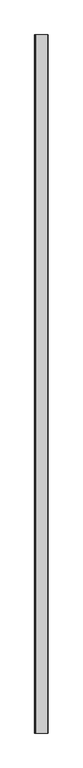
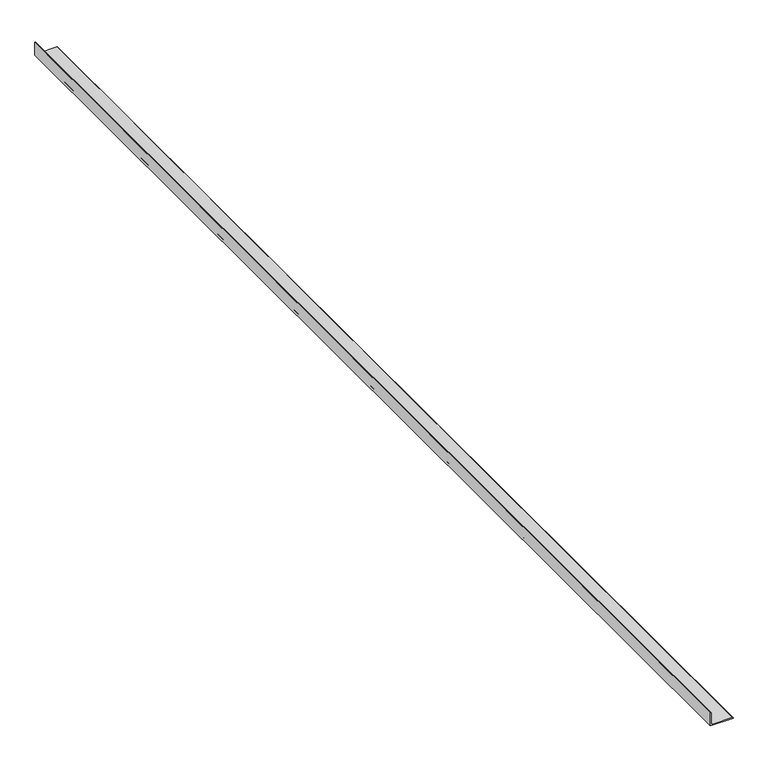
"""IFC4 building model written with IfcOpenShell, lengths in millimetres: proxy geometry."""

from ifc_helpers import new_model, si_unit, point, frame, frame_2d, origin, place, context, project, spatial, polyline, circle_curve, trimmed, segment, composite_curve, outline, extrude, source, transform, mapped, element, save


def generic_models_752603a1(model_context):
    return source(origin(), model_context, "Body", "SweptSolid", [
        extrude(outline(composite_curve([segment(polyline([(5658.705859, 37828.6939959), (5722.205859, 37828.693996)]), True, "CONTINUOUS"), segment(trimmed(circle_curve(frame_2d((5722.205859, 37825.518996)), 3.175), [point((5722.205859, 37828.693996))], [point((5725.380859, 37825.518996))], False, "CARTESIAN"), True, "CONTINUOUS"), segment(polyline([(5725.380859, 37825.518996), (5725.380859, 37822.3439959), (5649.180859, 37822.3439959), (5649.180859, 37949.3439959), (5652.355859, 37949.3439959)]), True, "CONTINUOUS"), segment(trimmed(circle_curve(frame_2d((5652.355859, 37946.1689959)), 3.175), [point((5652.355859, 37949.3439959))], [point((5655.530859, 37946.1689959))], False, "CARTESIAN"), True, "CONTINUOUS"), segment(polyline([(5655.530859, 37946.1689959), (5655.530859, 37831.8689959)]), True, "CONTINUOUS"), segment(trimmed(circle_curve(frame_2d((5658.705859, 37831.8689959)), 3.175), [point((5655.530859, 37831.8689959))], [point((5658.705859, 37828.6939959))], True, "CARTESIAN"), True, "CONTINUOUS")], self_intersect=False)), frame((0.0, -25198.8929893, 0.0), z_axis=(0.0, 1.0, 0.0), x_axis=(0.0, 0.0, 1.0)), (0.0, 0.0, 1.0), 6533.92),
    ])


if __name__ == "__main__":
    model = new_model("IFC4")
    model_context = context("Model", 3, world=origin())
    ifc_project = project(units=[si_unit("LENGTHUNIT", "METRE", prefix="MILLI")], contexts=[model_context])
    site = spatial("IfcSite", under=ifc_project)
    building = spatial("IfcBuilding", under=site)
    placement = place(None, origin())
    generic_models_shape = generic_models_752603a1(model_context)
    element("IfcBuildingElementProxy", 1, Name="Generic Models", at=placement, inside=building, context=model_context, shape_type="MappedRepresentation", body=[
        mapped(generic_models_shape, transform((0.0, 0.0, 0.0), x_axis=(1.0, 0.0, 0.0), y_axis=(0.0, 1.0, 0.0), z_axis=(0.0, 0.0, 1.0))),
    ])
    save(model, "model.ifc")
